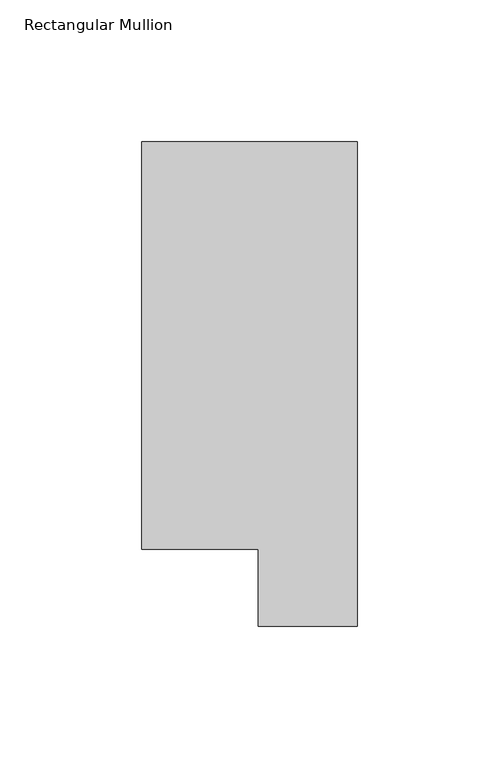
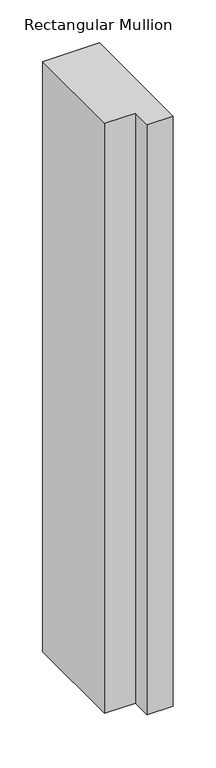
"""IFC4 building model written with IfcOpenShell, lengths in millimetres: member geometry, Rectangular Mullion."""

from ifc_helpers import new_model, si_unit, frame, origin, place, context, project, spatial, polyline, outline, extrude, source, transform, mapped, element, save


def rectangular_mullion_7a7c99e5(model_context):
    return source(origin(), model_context, "Body", "SweptSolid", [
        extrude(outline(polyline([(0.0, 190.7881313), (0.0, 19.5667312), (-34.9123, 19.5667312), (-34.9123, 46.7447302), (-76.2, 46.7447302), (-76.2, 190.7881313), (0.0, 190.7881313)])), frame((0.0, 0.0, -838.2), z_axis=(0.0, 0.0, 1.0), x_axis=(1.0, 0.0, 0.0)), (0.0, 0.0, 1.0), 838.2),
    ])


if __name__ == "__main__":
    model = new_model("IFC4")
    model_context = context("Model", 3, world=origin())
    ifc_project = project(units=[si_unit("LENGTHUNIT", "METRE", prefix="MILLI")], contexts=[model_context])
    site = spatial("IfcSite", under=ifc_project)
    building = spatial("IfcBuilding", under=site)
    placement = place(None, origin())
    rectangular_mullion_shape = rectangular_mullion_7a7c99e5(model_context)
    element("IfcMember", 1, ObjectType="Rectangular Mullion", at=placement, inside=building, context=model_context, shape_type="MappedRepresentation", body=[
        mapped(rectangular_mullion_shape, transform((0.0, 0.0, 0.0), x_axis=(1.0, 0.0, 0.0), y_axis=(0.0, 1.0, 0.0), z_axis=(0.0, 0.0, 1.0))),
    ])
    save(model, "model.ifc")
